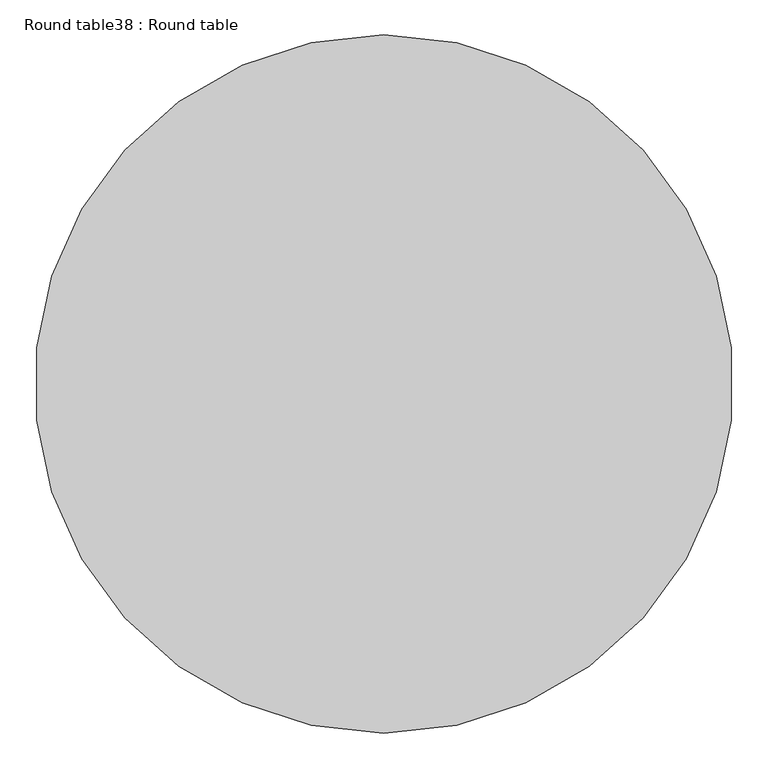
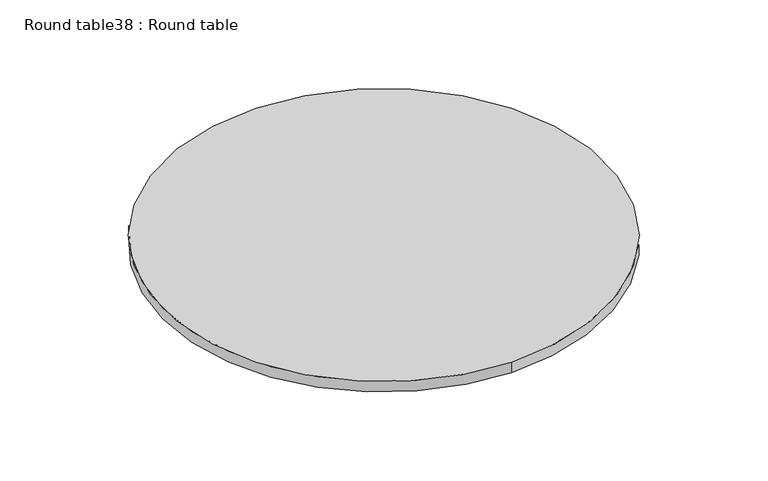
"""IFC4 building model written with IfcOpenShell, lengths in millimetres: furniture geometry, Round table38 : Round table."""

from ifc_helpers import new_model, si_unit, point, frame, frame_2d, origin, place, context, project, spatial, circle_curve, trimmed, segment, composite_curve, outline, extrude, source, transform, mapped, element, save


def round_table38_round_table_e2b2a1a3(model_context):
    return source(origin(), model_context, "Body", "SweptSolid", [
        extrude(outline(composite_curve([segment(trimmed(circle_curve(frame_2d((-123010.4843294, -65718.1491311)), 508.0), [point((-123010.4843294, -65210.1491311))], [point((-123010.4843294, -66226.1491311))], False, "CARTESIAN"), True, "CONTINUOUS"), segment(trimmed(circle_curve(frame_2d((-123010.4843294, -65718.1491311)), 508.0), [point((-123010.4843294, -66226.1491311))], [point((-123010.4843294, -65210.1491311))], False, "CARTESIAN"), True, "CONTINUOUS")], self_intersect=False)), frame((0.0, 0.0, 762.0), z_axis=(0.0, 0.0, 1.0), x_axis=(1.0, 0.0, 0.0)), (0.0, 0.0, 1.0), 25.4),
    ])


if __name__ == "__main__":
    model = new_model("IFC4")
    model_context = context("Model", 3, world=origin())
    ifc_project = project(units=[si_unit("LENGTHUNIT", "METRE", prefix="MILLI")], contexts=[model_context])
    site = spatial("IfcSite", under=ifc_project)
    building = spatial("IfcBuilding", under=site)
    placement = place(None, origin())
    round_table38_round_table_shape = round_table38_round_table_e2b2a1a3(model_context)
    element("IfcFurniture", 1, ObjectType="Round table38 : Round table", at=placement, inside=building, context=model_context, shape_type="MappedRepresentation", body=[
        mapped(round_table38_round_table_shape, transform((0.0, 0.0, 0.0), x_axis=(1.0, 0.0, 0.0), y_axis=(0.0, 1.0, 0.0), z_axis=(0.0, 0.0, 1.0))),
    ])
    save(model, "model.ifc")
